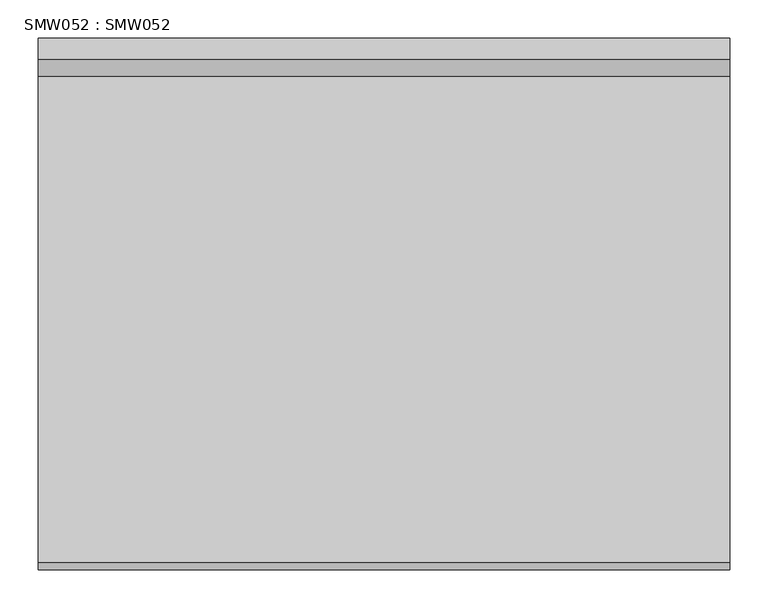
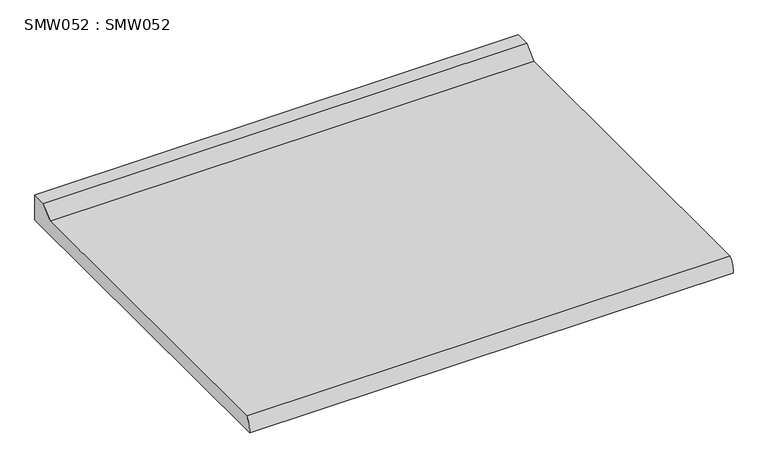
"""IFC4 building model written with IfcOpenShell, lengths in millimetres: proxy geometry, SMW052 : SMW052."""

from ifc_helpers import new_model, si_unit, point, frame, frame_2d, origin, place, context, project, spatial, polyline, circle_curve, trimmed, segment, composite_curve, outline, extrude, source, transform, mapped, element, save


def smw052_smw052_8a8318eb(model_context):
    return source(origin(), model_context, "Body", "SweptSolid", [
        extrude(outline(composite_curve([segment(polyline([(0.0, 50.0), (0.0, -4e-07), (-700.0, -4e-07)]), True, "CONTINUOUS"), segment(trimmed(circle_curve(frame_2d((-666.5623387, 3.8436929)), 33.6578545), [point((-700.0, -4e-07))], [point((-690.0, 28.0000006))], False, "CARTESIAN"), True, "CONTINUOUS"), segment(polyline([(-690.0, 28.0000006), (-50.0000004, 28.0000006), (-28.000001, 50.0), (0.0, 50.0)]), True, "CONTINUOUS")], self_intersect=False)), frame((0.0, 0.0, 0.0), z_axis=(1.0, 0.0, 0.0), x_axis=(0.0, 1.0, 0.0)), (0.0, 0.0, 1.0), 909.9999779),
    ])


if __name__ == "__main__":
    model = new_model("IFC4")
    model_context = context("Model", 3, world=origin())
    ifc_project = project(units=[si_unit("LENGTHUNIT", "METRE", prefix="MILLI")], contexts=[model_context])
    site = spatial("IfcSite", under=ifc_project)
    building = spatial("IfcBuilding", under=site)
    placement = place(None, origin())
    smw052_smw052_shape = smw052_smw052_8a8318eb(model_context)
    element("IfcBuildingElementProxy", 1, Name="SMW052 : SMW052", ObjectType="SMW052 : SMW052", at=placement, inside=building, context=model_context, shape_type="MappedRepresentation", body=[
        mapped(smw052_smw052_shape, transform((0.0, 0.0, 0.0), x_axis=(1.0, 0.0, 0.0), y_axis=(0.0, 1.0, 0.0), z_axis=(0.0, 0.0, 1.0))),
    ])
    save(model, "model.ifc")
